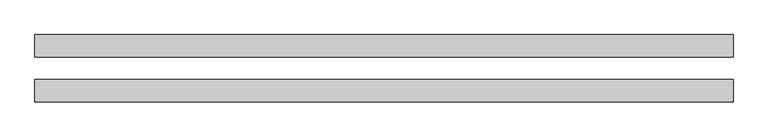
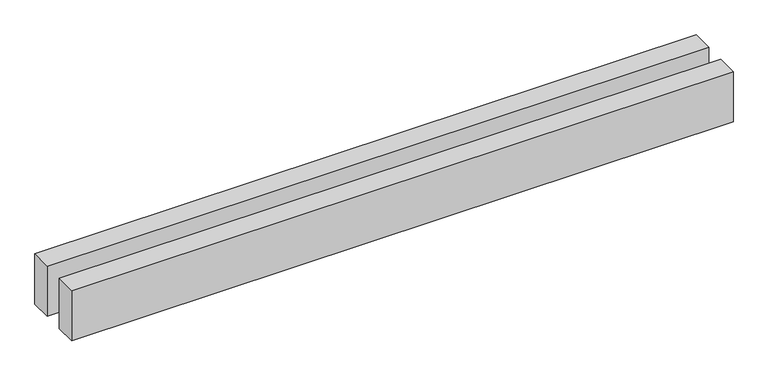
"""IFC4 building model written with IfcOpenShell, lengths in millimetres: proxy geometry."""

from ifc_helpers import new_model, si_unit, origin, origin_with_axes, place, context, project, spatial, polyline, outline, extrude, source, transform, mapped, element, save


def generic_models_03fcefc6(model_context):
    return source(origin(), model_context, "Body", "SweptSolid", [
        extrude(outline(polyline([(6216.8468769, 300.0), (6216.8468769, 100.0), (0.0, 100.0), (0.0, 300.0), (6216.8468769, 300.0)])), origin_with_axes(), (0.0, 0.0, 1.0), 500.0),
        extrude(outline(polyline([(6216.8468769, -100.0), (6216.8468769, -300.0), (0.0, -300.0), (0.0, -100.0), (6216.8468769, -100.0)])), origin_with_axes(), (0.0, 0.0, 1.0), 500.0),
    ])


if __name__ == "__main__":
    model = new_model("IFC4")
    model_context = context("Model", 3, world=origin())
    ifc_project = project(units=[si_unit("LENGTHUNIT", "METRE", prefix="MILLI")], contexts=[model_context])
    site = spatial("IfcSite", under=ifc_project)
    building = spatial("IfcBuilding", under=site)
    placement = place(None, origin())
    generic_models_shape = generic_models_03fcefc6(model_context)
    element("IfcBuildingElementProxy", 1, Name="Generic Models", at=placement, inside=building, context=model_context, shape_type="MappedRepresentation", body=[
        mapped(generic_models_shape, transform((0.0, 0.0, 0.0), x_axis=(1.0, 0.0, 0.0), y_axis=(0.0, 1.0, 0.0), z_axis=(0.0, 0.0, 1.0))),
    ])
    save(model, "model.ifc")
